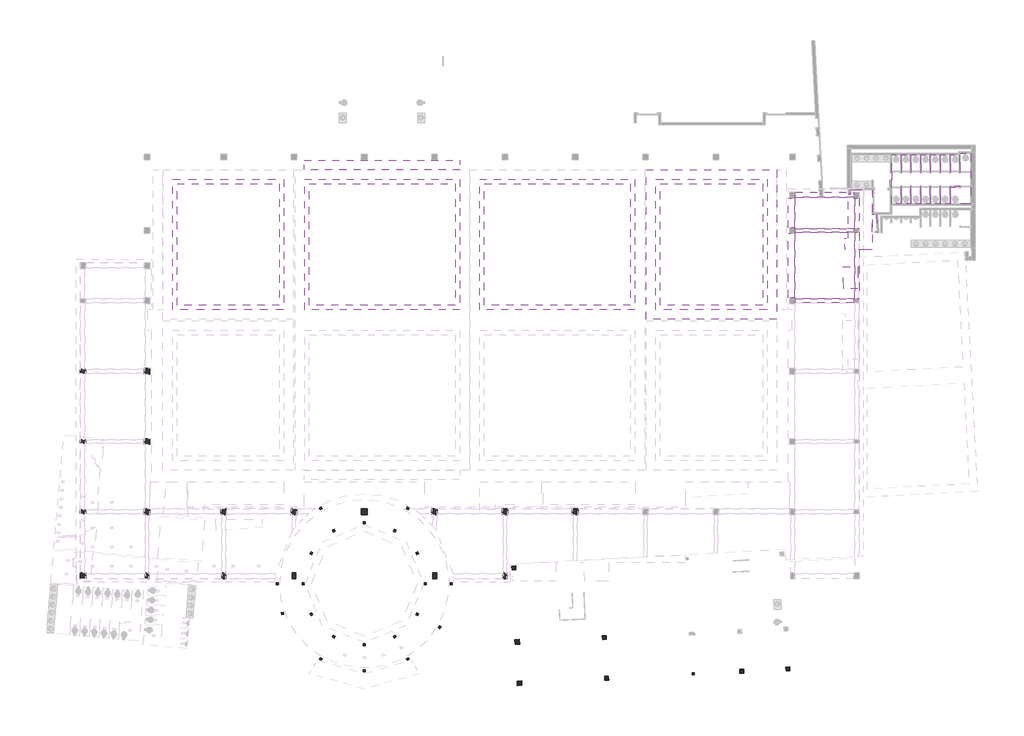
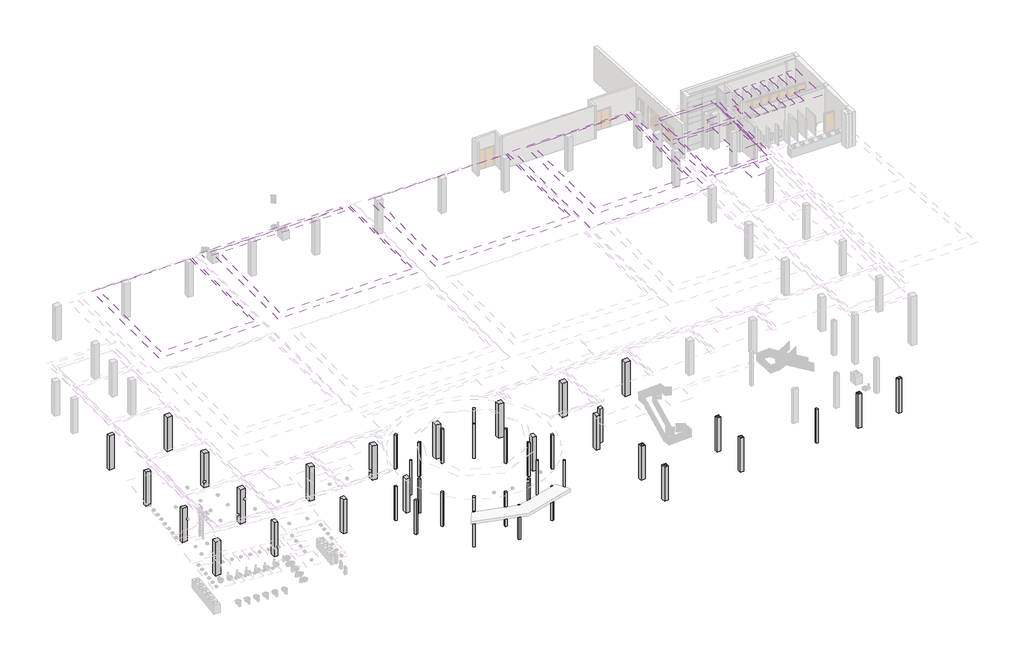
# One storey, part 29 of 36: 53 columns, 24 coverings.
"""IFC4 building model written with IfcOpenShell, lengths in millimetres."""

import ifcopenshell
import ifcopenshell.guid

model = None  # the IFC model being written
_history = None  # IfcOwnerHistory: only IFC2X3 demands one
_inside = {}  # id of a spatial element -> (the spatial element, [elements in it])
_under = {}  # id of a project, library or spatial element -> (it, [spatial elements below it])
_declared = {}  # id of a project -> (the project, [libraries it declares])
_typed = {}  # id of a type object -> (the type object, [elements of that type])
_made_of = {}  # id of a material, layer set ... -> (it, [elements and type objects made of it])


def new_model(schema):
    """Start an empty IFC model of exactly this schema.

    Asked for "IFC4X3", IfcOpenShell would pick the latest addendum, in which some entities
    have other attributes; the version numbers below select the first issue.
    IFC2X3 requires an IfcOwnerHistory on every rooted entity: one is made here for all.
    """
    global model, _history
    if schema == "IFC4X3":
        model = ifcopenshell.file(schema_version=(4, 3, 0, 0))
    else:
        model = ifcopenshell.file(schema=schema)
    _inside.clear()
    _under.clear()
    _declared.clear()
    _typed.clear()
    _made_of.clear()
    _history = None
    if model.schema == "IFC2X3":
        org = make("IfcOrganization", Name="unknown")
        user = make(
            "IfcPersonAndOrganization",
            ThePerson=make("IfcPerson", FamilyName="unknown"),
            TheOrganization=org,
        )
        app = make(
            "IfcApplication",
            ApplicationDeveloper=org,
            Version="unknown",
            ApplicationFullName="unknown",
            ApplicationIdentifier="unknown",
        )
        _history = make(
            "IfcOwnerHistory",
            OwningUser=user,
            OwningApplication=app,
            ChangeAction="ADDED",
            CreationDate=0,
        )
    return model


def make(cls, **values):
    """One entity of the class cls with the attributes given. An attribute that is None is left unset."""
    return model.create_entity(
        cls, **{name: value for name, value in values.items() if value is not None}
    )


def rooted(cls, **values):
    """An entity with a GlobalId (a new one), such as an element, a storey or a relation."""
    return make(cls, GlobalId=ifcopenshell.guid.new(), OwnerHistory=_history, **values)


def si_unit(unit_type, name, prefix=None):
    """IfcSIUnit, for example si_unit("LENGTHUNIT", "METRE", prefix="MILLI")."""
    return make("IfcSIUnit", UnitType=unit_type, Prefix=prefix, Name=name)


def assignment(units):
    """IfcUnitAssignment: the units of a project."""
    return None if units is None else make("IfcUnitAssignment", Units=units)


def point(xyz):
    """IfcCartesianPoint."""
    return None if xyz is None else make("IfcCartesianPoint", Coordinates=xyz)


def direction(xyz):
    """IfcDirection."""
    return None if xyz is None else make("IfcDirection", DirectionRatios=xyz)


def frame(location, z_axis=None, x_axis=None):
    """IfcAxis2Placement3D, a coordinate frame: its origin and axes. An axis left out is left unset."""
    return make(
        "IfcAxis2Placement3D",
        Location=point(location),
        Axis=direction(z_axis),
        RefDirection=direction(x_axis),
    )


def origin():
    """The frame at (0, 0, 0) with its axes left unset."""
    return frame((0.0, 0.0, 0.0))


def origin_with_axes():
    """The frame at (0, 0, 0) with the z axis (0, 0, 1) and the x axis (1, 0, 0) written out."""
    return frame((0.0, 0.0, 0.0), z_axis=(0.0, 0.0, 1.0), x_axis=(1.0, 0.0, 0.0))


def place(relative_to, where):
    """IfcLocalPlacement: puts the frame where relative to a parent placement (None: the world)."""
    return make(
        "IfcLocalPlacement", PlacementRelTo=relative_to, RelativePlacement=where
    )


def context(
    kind, dimensions, precision=None, world=None, true_north=None, identifier=None
):
    """IfcGeometricRepresentationContext, for example the 3D "Model" context."""
    return make(
        "IfcGeometricRepresentationContext",
        ContextIdentifier=identifier,
        ContextType=kind,
        CoordinateSpaceDimension=dimensions,
        Precision=precision,
        WorldCoordinateSystem=world,
        TrueNorth=true_north,
    )


def project(units=None, contexts=None):
    """IfcProject with its units and contexts."""
    return rooted(
        "IfcProject",
        Name="project",
        RepresentationContexts=contexts,
        UnitsInContext=assignment(units),
    )


def spatial(cls, under=None, at=None, **own):
    """A site, building, storey or space (cls), placed at a placement, below another one or the project."""
    s = rooted(cls, ObjectPlacement=at, **own)
    if under is not None:
        _under.setdefault(under.id(), (under, []))[1].append(s)
    return s


def polyline(points):
    """IfcPolyline through the points."""
    return make("IfcPolyline", Points=[point(p) for p in points])


def outline(outer, holes=None, kind="AREA"):
    """IfcArbitraryClosedProfileDef: a profile drawn as a closed curve; with holes, ...WithVoids."""
    if holes is None:
        return make("IfcArbitraryClosedProfileDef", ProfileType=kind, OuterCurve=outer)
    return make(
        "IfcArbitraryProfileDefWithVoids",
        ProfileType=kind,
        OuterCurve=outer,
        InnerCurves=holes,
    )


def extrude(swept, where, along, depth):
    """IfcExtrudedAreaSolid: the profile swept, set in the frame where, extruded along a direction by depth."""
    return make(
        "IfcExtrudedAreaSolid",
        SweptArea=swept,
        Position=where,
        ExtrudedDirection=direction(along),
        Depth=depth,
    )


def faces_of(points, faces, orient=None, outer=None):
    """IfcFace entities. A face is a list of loops; a loop is a list of indices into points, from 0.

    orient and outer hold one flag for each loop. By default every Orientation is true, the
    first loop of a face is its IfcFaceOuterBound and the others are IfcFaceBound.
    """
    made = []
    for i, loops in enumerate(faces):
        bounds = []
        for j, loop in enumerate(loops):
            is_outer = j == 0 if outer is None else outer[i][j]
            bounds.append(
                make(
                    "IfcFaceOuterBound" if is_outer else "IfcFaceBound",
                    Bound=make("IfcPolyLoop", Polygon=[points[k] for k in loop]),
                    Orientation=True if orient is None else orient[i][j],
                )
            )
        made.append(make("IfcFace", Bounds=bounds))
    return made


def faceted_brep(points, faces, orient=None, outer=None, voids=None):
    """IfcFacetedBrep: a solid bounded by flat faces; with voids (closed shells), ...WithVoids."""
    shared = [point(p) for p in points]
    hull = make("IfcClosedShell", CfsFaces=faces_of(shared, faces, orient, outer))
    if voids is None:
        return make("IfcFacetedBrep", Outer=hull)
    return make(
        "IfcFacetedBrepWithVoids",
        Outer=hull,
        Voids=[
            make(cls, CfsFaces=faces_of(shared, fs, o, b)) for cls, fs, o, b in voids
        ],
    )


def shape(context_of_items, identifier, shape_type, items):
    """IfcShapeRepresentation: the items that make up one representation, for example the "Body"."""
    return make(
        "IfcShapeRepresentation",
        ContextOfItems=context_of_items,
        RepresentationIdentifier=identifier,
        RepresentationType=shape_type,
        Items=items,
    )


def source(mapping_origin, context_of_items, identifier, shape_type, items):
    """IfcRepresentationMap: a shape defined once, which mapped items show again and again."""
    return make(
        "IfcRepresentationMap",
        MappingOrigin=mapping_origin,
        MappedRepresentation=shape(context_of_items, identifier, shape_type, items),
    )


def transform(
    local_origin,
    x_axis=None,
    y_axis=None,
    z_axis=None,
    scale=None,
    scale2=None,
    scale3=None,
    uniform=True,
):
    """IfcCartesianTransformationOperator3D, or its non-uniform kind. x_axis, y_axis, z_axis: its Axis1, 2, 3."""
    if uniform:
        return make(
            "IfcCartesianTransformationOperator3D",
            Axis1=direction(x_axis),
            Axis2=direction(y_axis),
            LocalOrigin=point(local_origin),
            Scale=scale,
            Axis3=direction(z_axis),
        )
    return make(
        "IfcCartesianTransformationOperator3DnonUniform",
        Axis1=direction(x_axis),
        Axis2=direction(y_axis),
        LocalOrigin=point(local_origin),
        Scale=scale,
        Axis3=direction(z_axis),
        Scale2=scale2,
        Scale3=scale3,
    )


def mapped(mapping_source, mapping_target):
    """IfcMappedItem: shows the shape of a source again, moved by a transform."""
    return make(
        "IfcMappedItem", MappingSource=mapping_source, MappingTarget=mapping_target
    )


def made_of(thing, what):
    """Note that an element or type object is made of a material, layer set ...; save() writes the relation."""
    if what is not None:
        _made_of.setdefault(what.id(), (what, []))[1].append(thing)
    return thing


def element(
    cls,
    number,
    at=None,
    inside=None,
    cuts=None,
    type_object=None,
    material=None,
    context=None,
    identifier="Body",
    shape_type=None,
    held_by="IfcProductDefinitionShape",
    body=None,
    shapes=None,
    **own,
):
    """One element of the class cls, such as IfcWall. Its Tag is "e" and its number.

    at: its placement. inside: the storey or other place that contains it. cuts: it is an
    opening in that element (IfcRelVoidsElement). A single representation is given by context,
    identifier, shape_type and body (its items); several are given by shapes. held_by: the class
    of the entity that holds the representations. save() writes the other relations.
    """
    e = rooted(cls, Tag="e%d" % number, ObjectPlacement=at, **own)
    if body is not None:
        shapes = [shape(context, identifier, shape_type, body)]
    if shapes is not None:
        e.Representation = make(held_by, Representations=shapes)
    if inside is not None:
        _inside.setdefault(inside.id(), (inside, []))[1].append(e)
    if cuts is not None:
        rooted(
            "IfcRelVoidsElement", RelatingBuildingElement=cuts, RelatedOpeningElement=e
        )
    if type_object is not None:
        _typed.setdefault(type_object.id(), (type_object, []))[1].append(e)
    return made_of(e, material)


def aggregate(whole, parts):
    """IfcRelAggregates: a whole, such as a stair, and the parts it consists of."""
    return rooted("IfcRelAggregates", RelatingObject=whole, RelatedObjects=parts)


def save(model, path):
    """Write the relations noted so far, then the file.

    IfcRelAggregates (storeys below a building ...), IfcRelContainedInSpatialStructure (elements
    in a storey), IfcRelDefinesByType, IfcRelAssociatesMaterial and IfcRelDeclares: one each for
    every whole, place, type object, material and project.
    """
    for whole, parts in _under.values():
        aggregate(whole, parts)
    for where, things in _inside.values():
        rooted(
            "IfcRelContainedInSpatialStructure",
            RelatedElements=things,
            RelatingStructure=where,
        )
    for kind, things in _typed.values():
        rooted("IfcRelDefinesByType", RelatedObjects=things, RelatingType=kind)
    for what, things in _made_of.values():
        rooted("IfcRelAssociatesMaterial", RelatedObjects=things, RelatingMaterial=what)
    for by, libraries in _declared.values():
        rooted("IfcRelDeclares", RelatingContext=by, RelatedDefinitions=libraries)
    model.write(path)


def concrete_rectangular_column_14_1_4_x_14_1_4_7611fc2a(model_context):
    return source(origin(), model_context, "Body", "SweptSolid", [
        extrude(outline(polyline([(180.975, 180.975), (180.975, -180.975), (-180.975, -180.975), (-180.975, 180.975), (180.975, 180.975)])), origin_with_axes(), (0.0, 0.0, 1.0), 3810.0),
    ])


def concrete_rectangular_column_14_1_4_x_21_1_2_2_a856bb24(model_context):
    return source(origin(), model_context, "Body", "SweptSolid", [
        extrude(outline(polyline([(180.975, 273.05), (180.975, -273.05), (-180.975, -273.05), (-180.975, 273.05), (180.975, 273.05)])), origin_with_axes(), (0.0, 0.0, 1.0), 3810.0),
    ])


def concrete_rectangular_column_21_1_2_x_21_1_2_4b38b6f1(model_context):
    return source(origin(), model_context, "Body", "SweptSolid", [
        extrude(outline(polyline([(273.05, 273.05), (273.05, -273.05), (-273.05, -273.05), (-273.05, 273.05), (273.05, 273.05)])), origin_with_axes(), (0.0, 0.0, 1.0), 3810.0),
    ])


def concrete_rectangular_column_21_1_2_x_21_1_2_5e8797fa(model_context):
    return source(origin(), model_context, "Body", "SweptSolid", [
        extrude(outline(polyline([(273.05, -273.05), (-273.05, -273.05), (-273.05, 273.05), (273.05, 273.05), (273.05, -273.05)])), origin_with_axes(), (0.0, 0.0, 1.0), 3810.0),
    ])


def concrete_rectangular_column_8_x_8_f215429a(model_context):
    return source(origin(), model_context, "Body", "SweptSolid", [
        extrude(outline(polyline([(101.6, 101.6), (101.6, -101.6), (-101.6, -101.6), (-101.6, 101.6), (101.6, 101.6)])), origin_with_axes(), (0.0, 0.0, 1.0), 3810.0),
    ])


def concrete_rectangular_column_8_x_8_cc1d8254(model_context):
    return source(origin(), model_context, "Body", "SweptSolid", [
        extrude(outline(polyline([(101.6, -101.6), (-101.6, -101.6), (-101.6, 101.6), (101.6, 101.6), (101.6, -101.6)])), origin_with_axes(), (0.0, 0.0, 1.0), 3810.0),
    ])


model = new_model("IFC4")

# Units and contexts
model_context = context("Model", 3, world=origin())
ifc_project = project(units=[si_unit("LENGTHUNIT", "METRE", prefix="MILLI")], contexts=[model_context])

# Site, building, storey
site = spatial("IfcSite", under=ifc_project)
building = spatial("IfcBuilding", under=site)
storey = spatial("IfcBuildingStorey", under=building, Elevation=0.0)

# Columns
placement = place(None, origin())
element("IfcColumn", 1, ObjectType="Concrete-Rectangular-Column : 14 1/4 x 14 1/4", at=placement, inside=storey, context=model_context, shape_type="Brep", body=[
    faceted_brep([(15927.4141859, -34092.8668313, 0.0), (15943.2000187, -34394.0784647, 0.0), (15946.3571852, -34454.3207914, 0.0), (15584.9032251, -34473.2637907, 0.0), (15581.7460586, -34413.0214641, 0.0), (15565.9602258, -34111.8098306, 0.0), (15867.1718592, -34096.0239978, 0.0), (15927.4141859, -34092.8668313, 3810.0), (15943.2000187, -34394.0784647, 3810.0), (15946.3571852, -34454.3207914, 3810.0), (15584.9032251, -34473.2637907, 3810.0), (15581.7460586, -34413.0214641, 3810.0), (15565.9602258, -34111.8098306, 3810.0), (15867.1718592, -34096.0239978, 3810.0)], [[[0, 1, 2, 3, 4, 5, 6]], [[7, 8, 9, 2, 1, 0]], [[9, 10, 3, 2]], [[10, 11, 12, 5, 4, 3]], [[12, 13, 7, 0, 6, 5]], [[7, 13, 12, 11, 10, 9, 8]]]),
])
element("IfcColumn", 2, ObjectType="Concrete-Rectangular-Column : 14 1/4 x 14 1/4", at=placement, inside=storey, context=model_context, shape_type="Brep", body=[
    faceted_brep([(-1568.3598811, -31124.6070003, 0.0), (-1562.5440479, -31235.5797074, 0.0), (-1549.4168817, -31486.0609604, 0.0), (-1910.8708418, -31505.0039598, 0.0), (-1923.998008, -31254.5227068, 0.0), (-1929.8138412, -31143.5499997, 0.0), (-1568.3598811, -31124.6070003, 3810.0), (-1562.5440479, -31235.5797074, 3810.0), (-1549.4168817, -31486.0609604, 3810.0), (-1910.8708418, -31505.0039598, 3810.0), (-1923.998008, -31254.5227068, 3810.0), (-1929.8138412, -31143.5499997, 3810.0)], [[[0, 1, 2, 3, 4, 5]], [[6, 7, 8, 2, 1, 0]], [[8, 9, 3, 2]], [[9, 10, 11, 5, 4, 3]], [[11, 6, 0, 5]], [[6, 11, 10, 9, 8, 7]]]),
])
element("IfcColumn", 3, ObjectType="Concrete-Rectangular-Column : 14 1/4 x 14 1/4", at=placement, inside=storey, context=model_context, shape_type="Brep", body=[
    faceted_brep([(11526.5536892, -34323.5061568, 0.0), (11542.339522, -34624.7177903, 0.0), (11545.4966885, -34684.9601169, 0.0), (11184.0427284, -34703.9031163, 0.0), (11180.8855619, -34643.6607896, 0.0), (11165.0997291, -34342.4491562, 0.0), (11231.6833533, -34338.9596563, 0.0), (11526.5536892, -34323.5061568, 3810.0), (11542.339522, -34624.7177903, 3810.0), (11545.4966885, -34684.9601169, 3810.0), (11184.0427284, -34703.9031163, 3810.0), (11180.8855619, -34643.6607896, 3810.0), (11165.0997291, -34342.4491562, 3810.0), (11231.6833533, -34338.9596563, 3810.0)], [[[0, 1, 2, 3, 4, 5, 6]], [[7, 8, 9, 2, 1, 0]], [[9, 10, 3, 2]], [[10, 11, 12, 5, 4, 3]], [[12, 13, 7, 0, 6, 5]], [[7, 13, 12, 11, 10, 9, 8]]]),
])
concrete_rectangular_column_14_1_4_x_14_1_4_shape = concrete_rectangular_column_14_1_4_x_14_1_4_7611fc2a(model_context)
element("IfcColumn", 4, ObjectType="Concrete-Rectangular-Column : 14 1/4 x 14 1/4", at=placement, inside=storey, context=model_context, shape_type="MappedRepresentation", body=[
    mapped(concrete_rectangular_column_14_1_4_x_14_1_4_shape, transform((-1536.8920349, -35182.9969829, 0.0), x_axis=(0.9986295347545737, 0.052335956242946645, 0.0), y_axis=(-0.052335956242946645, 0.9986295347545737, 0.0), z_axis=(0.0, 0.0, 1.0))),
])
element("IfcColumn", 5, ObjectType="Concrete-Rectangular-Column : 14 1/4 x 14 1/4", at=placement, inside=storey, context=model_context, shape_type="MappedRepresentation", body=[
    mapped(concrete_rectangular_column_14_1_4_x_14_1_4_shape, transform((-10380.2160152, -24658.5974761, 0.0), x_axis=(0.9986295347545737, 0.052335956242946645, 0.0), y_axis=(-0.052335956242946645, 0.9986295347545737, 0.0), z_axis=(0.0, 0.0, 1.0))),
])
concrete_rectangular_column_14_1_4_x_21_1_2_2_shape = concrete_rectangular_column_14_1_4_x_21_1_2_2_a856bb24(model_context)
element("IfcColumn", 6, ObjectType="Concrete-Rectangular-Column : 14 1/4 x 21 1/2 2", at=placement, inside=storey, context=model_context, shape_type="MappedRepresentation", body=[
    mapped(concrete_rectangular_column_14_1_4_x_21_1_2_2_shape, transform((-51461.9440345, -19309.559635, 0.0), x_axis=(0.0, -1.0, 0.0), y_axis=(1.0, 0.0, 0.0), z_axis=(0.0, 0.0, 1.0))),
])
element("IfcColumn", 7, ObjectType="Concrete-Rectangular-Column : 14 1/4 x 21 1/2 2", at=placement, inside=storey, context=model_context, shape_type="MappedRepresentation", body=[
    mapped(concrete_rectangular_column_14_1_4_x_21_1_2_2_shape, transform((-45365.9440345, -25405.559635, 0.0), x_axis=(1.0, 0.0, 0.0), y_axis=(0.0, 1.0, 0.0), z_axis=(0.0, 0.0, 1.0))),
])
element("IfcColumn", 8, ObjectType="Concrete-Rectangular-Column : 14 1/4 x 21 1/2 2", at=placement, inside=storey, context=model_context, shape_type="MappedRepresentation", body=[
    mapped(concrete_rectangular_column_14_1_4_x_21_1_2_2_shape, transform((-51461.9440345, -12603.959635, 0.0), x_axis=(0.0, -1.0, 0.0), y_axis=(1.0, 0.0, 0.0), z_axis=(0.0, 0.0, 1.0))),
])
element("IfcColumn", 9, ObjectType="Concrete-Rectangular-Column : 14 1/4 x 21 1/2 2", at=placement, inside=storey, context=model_context, shape_type="MappedRepresentation", body=[
    mapped(concrete_rectangular_column_14_1_4_x_21_1_2_2_shape, transform((-11228.3440345, -25405.559635, 0.0), x_axis=(1.0, 0.0, 0.0), y_axis=(0.0, 1.0, 0.0), z_axis=(0.0, 0.0, 1.0))),
])
element("IfcColumn", 10, ObjectType="Concrete-Rectangular-Column : 14 1/4 x 21 1/2 2", at=placement, inside=storey, context=model_context, shape_type="MappedRepresentation", body=[
    mapped(concrete_rectangular_column_14_1_4_x_21_1_2_2_shape, transform((-17933.9440345, -25405.559635, 0.0), x_axis=(1.0, 0.0, 0.0), y_axis=(0.0, 1.0, 0.0), z_axis=(0.0, 0.0, 1.0))),
])
element("IfcColumn", 11, ObjectType="Concrete-Rectangular-Column : 14 1/4 x 21 1/2 2", at=placement, inside=storey, context=model_context, shape_type="MappedRepresentation", body=[
    mapped(concrete_rectangular_column_14_1_4_x_21_1_2_2_shape, transform((-31345.1440345, -25405.559635, 0.0), x_axis=(1.0, 0.0, 0.0), y_axis=(0.0, 1.0, 0.0), z_axis=(0.0, 0.0, 1.0))),
])
element("IfcColumn", 12, ObjectType="Concrete-Rectangular-Column : 14 1/4 x 21 1/2 2", at=placement, inside=storey, context=model_context, shape_type="MappedRepresentation", body=[
    mapped(concrete_rectangular_column_14_1_4_x_21_1_2_2_shape, transform((-38050.7440345, -25405.559635, 0.0), x_axis=(1.0, 0.0, 0.0), y_axis=(0.0, 1.0, 0.0), z_axis=(0.0, 0.0, 1.0))),
])
element("IfcColumn", 13, ObjectType="Concrete-Rectangular-Column : 14 1/4 x 21 1/2 2", at=placement, inside=storey, context=model_context, shape_type="MappedRepresentation", body=[
    mapped(concrete_rectangular_column_14_1_4_x_21_1_2_2_shape, transform((-51461.9440345, -5898.359635, 0.0), x_axis=(0.0, -1.0, 0.0), y_axis=(1.0, 0.0, 0.0), z_axis=(0.0, 0.0, 1.0))),
])
element("IfcColumn", 14, ObjectType="Concrete-Rectangular-Column : 17 1/8 x 17 1/8", at=placement, inside=storey, context=model_context, shape_type="Brep", body=[
    faceted_brep([(-9634.6885541, -35426.1611553, 0.0), (-9611.9237216, -35860.5400372, 0.0), (-10033.6200084, -35882.6402031, 0.0), (-10046.3026034, -35883.3048697, 0.0), (-10069.067436, -35448.9259879, 0.0), (-10056.3848409, -35448.2613212, 0.0), (-9634.6885541, -35426.1611553, 3810.0), (-9611.9237216, -35860.5400372, 3810.0), (-10033.6200084, -35882.6402031, 3810.0), (-10046.3026034, -35883.3048697, 3810.0), (-10069.067436, -35448.9259879, 3810.0), (-10056.3848409, -35448.2613212, 3810.0)], [[[0, 1, 2, 3, 4, 5]], [[6, 7, 1, 0]], [[7, 8, 9, 3, 2, 1]], [[9, 10, 4, 3]], [[10, 11, 6, 0, 5, 4]], [[6, 11, 10, 9, 8, 7]]]),
])
element("IfcColumn", 15, ObjectType="Concrete-Rectangular-Column : 17 1/8 x 17 1/8", at=placement, inside=storey, context=model_context, shape_type="Brep", body=[
    faceted_brep([(-9841.2337138, -31485.0447306, 0.0), (-9831.5960475, -31668.9423595, 0.0), (-9818.4688813, -31919.4236125, 0.0), (-10240.1651681, -31941.5237784, 0.0), (-10252.8477632, -31942.1884451, 0.0), (-10265.9749294, -31691.707192, 0.0), (-10275.6125957, -31507.8095632, 0.0), (-9841.2337138, -31485.0447306, 3810.0), (-9831.5960475, -31668.9423595, 3810.0), (-9818.4688813, -31919.4236125, 3810.0), (-10240.1651681, -31941.5237784, 3810.0), (-10252.8477632, -31942.1884451, 3810.0), (-10265.9749294, -31691.707192, 3810.0), (-10275.6125957, -31507.8095632, 3810.0)], [[[0, 1, 2, 3, 4, 5, 6]], [[7, 8, 9, 2, 1, 0]], [[9, 10, 11, 4, 3, 2]], [[11, 12, 13, 6, 5, 4]], [[13, 7, 0, 6]], [[7, 13, 12, 11, 10, 9, 8]]]),
])
concrete_rectangular_column_21_1_2_x_21_1_2_shape = concrete_rectangular_column_21_1_2_x_21_1_2_4b38b6f1(model_context)
element("IfcColumn", 16, ObjectType="Concrete-Rectangular-Column : 21 1/2 x 21 1/2", at=placement, inside=storey, context=model_context, shape_type="MappedRepresentation", body=[
    mapped(concrete_rectangular_column_21_1_2_x_21_1_2_shape, transform((-51461.9440345, -25405.559635, 0.0), x_axis=(1.0, 0.0, 0.0), y_axis=(0.0, 1.0, 0.0), z_axis=(0.0, 0.0, 1.0))),
])
element("IfcColumn", 17, ObjectType="Concrete-Rectangular-Column : 21 1/2 x 21 1/2", at=placement, inside=storey, context=model_context, shape_type="MappedRepresentation", body=[
    mapped(concrete_rectangular_column_21_1_2_x_21_1_2_shape, transform((-45365.9440345, -19309.559635, 0.0), x_axis=(1.0, 0.0, 0.0), y_axis=(0.0, 1.0, 0.0), z_axis=(0.0, 0.0, 1.0))),
])
element("IfcColumn", 18, ObjectType="Concrete-Rectangular-Column : 21 1/2 x 21 1/2", at=placement, inside=storey, context=model_context, shape_type="MappedRepresentation", body=[
    mapped(concrete_rectangular_column_21_1_2_x_21_1_2_shape, transform((-45365.9440345, -12603.959635, 0.0), x_axis=(1.0, 0.0, 0.0), y_axis=(0.0, 1.0, 0.0), z_axis=(0.0, 0.0, 1.0))),
])
element("IfcColumn", 19, ObjectType="Concrete-Rectangular-Column : 21 1/2 x 21 1/2", at=placement, inside=storey, context=model_context, shape_type="MappedRepresentation", body=[
    mapped(concrete_rectangular_column_21_1_2_x_21_1_2_shape, transform((-4522.7440345, -19309.559635, 0.0), x_axis=(1.0, 0.0, 0.0), y_axis=(0.0, 1.0, 0.0), z_axis=(0.0, 0.0, 1.0))),
])
element("IfcColumn", 20, ObjectType="Concrete-Rectangular-Column : 21 1/2 x 21 1/2", at=placement, inside=storey, context=model_context, shape_type="MappedRepresentation", body=[
    mapped(concrete_rectangular_column_21_1_2_x_21_1_2_shape, transform((-11228.3440345, -19309.559635, 0.0), x_axis=(1.0, 0.0, 0.0), y_axis=(0.0, 1.0, 0.0), z_axis=(0.0, 0.0, 1.0))),
])
element("IfcColumn", 21, ObjectType="Concrete-Rectangular-Column : 21 1/2 x 21 1/2", at=placement, inside=storey, context=model_context, shape_type="MappedRepresentation", body=[
    mapped(concrete_rectangular_column_21_1_2_x_21_1_2_shape, transform((-17933.9440345, -19309.559635, 0.0), x_axis=(1.0, 0.0, 0.0), y_axis=(0.0, 1.0, 0.0), z_axis=(0.0, 0.0, 1.0))),
])
element("IfcColumn", 22, ObjectType="Concrete-Rectangular-Column : 21 1/2 x 21 1/2", at=placement, inside=storey, context=model_context, shape_type="MappedRepresentation", body=[
    mapped(concrete_rectangular_column_21_1_2_x_21_1_2_shape, transform((-24639.5440345, -19309.559635, 0.0), x_axis=(1.0, 0.0, 0.0), y_axis=(0.0, 1.0, 0.0), z_axis=(0.0, 0.0, 1.0))),
])
element("IfcColumn", 23, ObjectType="Concrete-Rectangular-Column : 21 1/2 x 21 1/2", at=placement, inside=storey, context=model_context, shape_type="MappedRepresentation", body=[
    mapped(concrete_rectangular_column_21_1_2_x_21_1_2_shape, transform((-31345.1440345, -19309.559635, 0.0), x_axis=(1.0, 0.0, 0.0), y_axis=(0.0, 1.0, 0.0), z_axis=(0.0, 0.0, 1.0))),
])
element("IfcColumn", 24, ObjectType="Concrete-Rectangular-Column : 21 1/2 x 21 1/2", at=placement, inside=storey, context=model_context, shape_type="MappedRepresentation", body=[
    mapped(concrete_rectangular_column_21_1_2_x_21_1_2_shape, transform((-38050.7440345, -19309.559635, 0.0), x_axis=(1.0, 0.0, 0.0), y_axis=(0.0, 1.0, 0.0), z_axis=(0.0, 0.0, 1.0))),
])
concrete_rectangular_column_21_1_2_x_21_1_2_2_shape = concrete_rectangular_column_21_1_2_x_21_1_2_5e8797fa(model_context)
element("IfcColumn", 25, ObjectType="Concrete-Rectangular-Column : 21 1/2 x 21 1/2", at=placement, inside=storey, context=model_context, shape_type="MappedRepresentation", body=[
    mapped(concrete_rectangular_column_21_1_2_x_21_1_2_2_shape, transform((-45365.9440345, -5898.359635, 0.0), x_axis=(-1.0, 0.0, 0.0), y_axis=(0.0, -1.0, 0.0), z_axis=(0.0, 0.0, 1.0))),
])
concrete_rectangular_column_8_x_8_shape = concrete_rectangular_column_8_x_8_f215429a(model_context)
element("IfcColumn", 26, ObjectType="Concrete-Rectangular-Column : 8 x 8", at=placement, inside=storey, context=model_context, shape_type="MappedRepresentation", body=[
    mapped(concrete_rectangular_column_8_x_8_shape, transform((6732.1599647, -34749.6343309, 0.0), x_axis=(0.9986295347545737, 0.052335956242946645, 0.0), y_axis=(-0.052335956242946645, 0.9986295347545737, 0.0), z_axis=(0.0, 0.0, 1.0))),
])
element("IfcColumn", 27, ObjectType="Concrete-Rectangular-Column : 8 x 8", at=placement, inside=storey, context=model_context, shape_type="MappedRepresentation", body=[
    mapped(concrete_rectangular_column_8_x_8_shape, transform((15762.1676697, -34276.3916801, 0.0), x_axis=(0.9986295347545737, 0.052335956242946645, 0.0), y_axis=(-0.052335956242946645, 0.9986295347545737, 0.0), z_axis=(0.0, 0.0, 1.0))),
])
element("IfcColumn", 28, ObjectType="Concrete-Rectangular-Column : 8 x 8", at=placement, inside=storey, context=model_context, shape_type="MappedRepresentation", body=[
    mapped(concrete_rectangular_column_8_x_8_shape, transform((-1536.8920349, -35182.9969829, 0.0), x_axis=(0.9986295347545737, 0.052335956242946645, 0.0), y_axis=(-0.052335956242946645, 0.9986295347545737, 0.0), z_axis=(0.0, 0.0, 1.0))),
])
element("IfcColumn", 29, ObjectType="Concrete-Rectangular-Column : 8 x 8", at=placement, inside=storey, context=model_context, shape_type="MappedRepresentation", body=[
    mapped(concrete_rectangular_column_8_x_8_shape, transform((-9805.9440345, -35616.359635, 0.0), x_axis=(0.9986295347545737, 0.052335956242946645, 0.0), y_axis=(-0.052335956242946645, 0.9986295347545737, 0.0), z_axis=(0.0, 0.0, 1.0))),
])
element("IfcColumn", 30, ObjectType="Concrete-Rectangular-Column : 8 x 8", at=placement, inside=storey, context=model_context, shape_type="MappedRepresentation", body=[
    mapped(concrete_rectangular_column_8_x_8_shape, transform((-1739.6153614, -31314.8054801, 0.0), x_axis=(0.9986295347545737, 0.052335956242946645, 0.0), y_axis=(-0.052335956242946645, 0.9986295347545737, 0.0), z_axis=(0.0, 0.0, 1.0))),
])
element("IfcColumn", 31, ObjectType="Concrete-Rectangular-Column : 8 x 8", at=placement, inside=storey, context=model_context, shape_type="MappedRepresentation", body=[
    mapped(concrete_rectangular_column_8_x_8_shape, transform((-10008.667361, -31748.1681321, 0.0), x_axis=(0.9986295347545737, 0.052335956242946645, 0.0), y_axis=(-0.052335956242946645, 0.9986295347545737, 0.0), z_axis=(0.0, 0.0, 1.0))),
])
element("IfcColumn", 32, ObjectType="Concrete-Rectangular-Column : 8 x 8", at=placement, inside=storey, context=model_context, shape_type="MappedRepresentation", body=[
    mapped(concrete_rectangular_column_8_x_8_shape, transform((11337.2713161, -34533.7255292, 0.0), x_axis=(0.9986295347545737, 0.052335956242946645, 0.0), y_axis=(-0.052335956242946645, 0.9986295347545737, 0.0), z_axis=(0.0, 0.0, 1.0))),
])
element("IfcColumn", 33, ObjectType="Concrete-Rectangular-Column : 8 x 8", at=placement, inside=storey, context=model_context, shape_type="MappedRepresentation", body=[
    mapped(concrete_rectangular_column_8_x_8_shape, transform((-32929.4690345, -26167.559635, 0.0), x_axis=(1.0, 0.0, 0.0), y_axis=(0.0, 1.0, 0.0), z_axis=(0.0, 0.0, 1.0))),
])
element("IfcColumn", 34, ObjectType="Concrete-Rectangular-Column : 8 x 8", at=placement, inside=storey, context=model_context, shape_type="MappedRepresentation", body=[
    mapped(concrete_rectangular_column_8_x_8_shape, transform((-30459.3190345, -26167.559635, 0.0), x_axis=(1.0, 0.0, 0.0), y_axis=(0.0, 1.0, 0.0), z_axis=(0.0, 0.0, 1.0))),
])
element("IfcColumn", 35, ObjectType="Concrete-Rectangular-Column : 8 x 8", at=placement, inside=storey, context=model_context, shape_type="MappedRepresentation", body=[
    mapped(concrete_rectangular_column_8_x_8_shape, transform((-29679.6170288, -23257.672135, 0.0), x_axis=(0.8660254037844415, -0.4999999999999952, 0.0), y_axis=(0.4999999999999952, 0.8660254037844415, 0.0), z_axis=(0.0, 0.0, 1.0))),
])
element("IfcColumn", 36, ObjectType="Concrete-Rectangular-Column : 8 x 8", at=placement, inside=storey, context=model_context, shape_type="MappedRepresentation", body=[
    mapped(concrete_rectangular_column_8_x_8_shape, transform((-27549.4315345, -21127.4866407, 0.0), x_axis=(0.5000000000000069, -0.8660254037844348, 0.0), y_axis=(0.8660254037844348, 0.5000000000000069, 0.0), z_axis=(0.0, 0.0, 1.0))),
])
element("IfcColumn", 37, ObjectType="Concrete-Rectangular-Column : 8 x 8", at=placement, inside=storey, context=model_context, shape_type="MappedRepresentation", body=[
    mapped(concrete_rectangular_column_8_x_8_shape, transform((-24639.5440345, -20347.784635, 0.0), x_axis=(0.0, -1.0000000000000002, 0.0), y_axis=(1.0000000000000002, 0.0, 0.0), z_axis=(0.0, 0.0, 1.0))),
])
element("IfcColumn", 38, ObjectType="Concrete-Rectangular-Column : 8 x 8", at=placement, inside=storey, context=model_context, shape_type="MappedRepresentation", body=[
    mapped(concrete_rectangular_column_8_x_8_shape, transform((-29679.6170288, -29077.447135, 0.0), x_axis=(0.8660254037844393, 0.4999999999999991, 0.0), y_axis=(-0.4999999999999991, 0.8660254037844393, 0.0), z_axis=(0.0, 0.0, 1.0))),
])
element("IfcColumn", 39, ObjectType="Concrete-Rectangular-Column : 8 x 8", at=placement, inside=storey, context=model_context, shape_type="MappedRepresentation", body=[
    mapped(concrete_rectangular_column_8_x_8_shape, transform((-27549.4315345, -31207.6326293, 0.0), x_axis=(0.5000000000000031, 0.866025403784437, 0.0), y_axis=(-0.866025403784437, 0.5000000000000031, 0.0), z_axis=(0.0, 0.0, 1.0))),
])
element("IfcColumn", 40, ObjectType="Concrete-Rectangular-Column : 8 x 8", at=placement, inside=storey, context=model_context, shape_type="MappedRepresentation", body=[
    mapped(concrete_rectangular_column_8_x_8_shape, transform((-28784.5065345, -18988.2739896, 0.0), x_axis=(0.5000000000000069, -0.8660254037844348, 0.0), y_axis=(0.8660254037844348, 0.5000000000000069, 0.0), z_axis=(0.0, 0.0, 1.0))),
])
element("IfcColumn", 41, ObjectType="Concrete-Rectangular-Column : 8 x 8", at=placement, inside=storey, context=model_context, shape_type="MappedRepresentation", body=[
    mapped(concrete_rectangular_column_8_x_8_shape, transform((-28784.5065345, -33346.8452805, 0.0), x_axis=(0.5000000000000031, 0.866025403784437, 0.0), y_axis=(-0.866025403784437, 0.5000000000000031, 0.0), z_axis=(0.0, 0.0, 1.0))),
])
element("IfcColumn", 42, ObjectType="Concrete-Rectangular-Column : 8 x 8", at=placement, inside=storey, context=model_context, shape_type="MappedRepresentation", body=[
    mapped(concrete_rectangular_column_8_x_8_shape, transform((-32429.5253839, -29002.8809717, 0.0), x_axis=(0.9396926207859078, 0.3420201433256706, 0.0), y_axis=(-0.3420201433256706, 0.9396926207859078, 0.0), z_axis=(0.0, 0.0, 1.0))),
])
concrete_rectangular_column_8_x_8_2_shape = concrete_rectangular_column_8_x_8_cc1d8254(model_context)
element("IfcColumn", 43, ObjectType="Concrete-Rectangular-Column : 8 x 8", at=placement, inside=storey, context=model_context, shape_type="MappedRepresentation", body=[
    mapped(concrete_rectangular_column_8_x_8_2_shape, transform((-18819.7690345, -26167.559635, 0.0), x_axis=(-1.0, 0.0, 0.0), y_axis=(0.0, -1.0, 0.0), z_axis=(0.0, 0.0, 1.0))),
])
element("IfcColumn", 44, ObjectType="Concrete-Rectangular-Column : 8 x 8", at=placement, inside=storey, context=model_context, shape_type="MappedRepresentation", body=[
    mapped(concrete_rectangular_column_8_x_8_2_shape, transform((-19599.4710402, -29077.447135, 0.0), x_axis=(-0.8660254037844393, 0.4999999999999991, 0.0), y_axis=(-0.4999999999999991, -0.8660254037844393, 0.0), z_axis=(0.0, 0.0, 1.0))),
])
element("IfcColumn", 45, ObjectType="Concrete-Rectangular-Column : 8 x 8", at=placement, inside=storey, context=model_context, shape_type="MappedRepresentation", body=[
    mapped(concrete_rectangular_column_8_x_8_2_shape, transform((-21729.6565345, -31207.6326293, 0.0), x_axis=(-0.5000000000000031, 0.866025403784437, 0.0), y_axis=(-0.866025403784437, -0.5000000000000031, 0.0), z_axis=(0.0, 0.0, 1.0))),
])
element("IfcColumn", 46, ObjectType="Concrete-Rectangular-Column : 8 x 8", at=placement, inside=storey, context=model_context, shape_type="MappedRepresentation", body=[
    mapped(concrete_rectangular_column_8_x_8_2_shape, transform((-24639.5440345, -31987.334635, 0.0), x_axis=(0.0, 1.0000000000000002, 0.0), y_axis=(-1.0000000000000002, 0.0, 0.0), z_axis=(0.0, 0.0, 1.0))),
])
element("IfcColumn", 47, ObjectType="Concrete-Rectangular-Column : 8 x 8", at=placement, inside=storey, context=model_context, shape_type="MappedRepresentation", body=[
    mapped(concrete_rectangular_column_8_x_8_2_shape, transform((-19599.4710402, -23257.672135, 0.0), x_axis=(-0.8660254037844415, -0.4999999999999952, 0.0), y_axis=(0.4999999999999952, -0.8660254037844415, 0.0), z_axis=(0.0, 0.0, 1.0))),
])
element("IfcColumn", 48, ObjectType="Concrete-Rectangular-Column : 8 x 8", at=placement, inside=storey, context=model_context, shape_type="MappedRepresentation", body=[
    mapped(concrete_rectangular_column_8_x_8_2_shape, transform((-21729.6565345, -21127.4866407, 0.0), x_axis=(-0.5000000000000069, -0.8660254037844348, 0.0), y_axis=(0.8660254037844348, -0.5000000000000069, 0.0), z_axis=(0.0, 0.0, 1.0))),
])
element("IfcColumn", 49, ObjectType="Concrete-Rectangular-Column : 8 x 8", at=placement, inside=storey, context=model_context, shape_type="MappedRepresentation", body=[
    mapped(concrete_rectangular_column_8_x_8_2_shape, transform((-20494.5815345, -18988.2739896, 0.0), x_axis=(-0.5000000000000069, -0.8660254037844348, 0.0), y_axis=(0.8660254037844348, -0.5000000000000069, 0.0), z_axis=(0.0, 0.0, 1.0))),
])
element("IfcColumn", 50, ObjectType="Concrete-Rectangular-Column : 8 x 8", at=placement, inside=storey, context=model_context, shape_type="MappedRepresentation", body=[
    mapped(concrete_rectangular_column_8_x_8_2_shape, transform((-16349.6190345, -26167.559635, 0.0), x_axis=(-1.0, 0.0, 0.0), y_axis=(0.0, -1.0, 0.0), z_axis=(0.0, 0.0, 1.0))),
])
element("IfcColumn", 51, ObjectType="Concrete-Rectangular-Column : 8 x 8", at=placement, inside=storey, context=model_context, shape_type="MappedRepresentation", body=[
    mapped(concrete_rectangular_column_8_x_8_2_shape, transform((-17460.258389, -30312.522135, 0.0), x_axis=(-0.8660254037844393, 0.4999999999999991, 0.0), y_axis=(-0.4999999999999991, -0.8660254037844393, 0.0), z_axis=(0.0, 0.0, 1.0))),
])
element("IfcColumn", 52, ObjectType="Concrete-Rectangular-Column : 8 x 8", at=placement, inside=storey, context=model_context, shape_type="MappedRepresentation", body=[
    mapped(concrete_rectangular_column_8_x_8_2_shape, transform((-20494.5815345, -33346.8452805, 0.0), x_axis=(-0.5000000000000031, 0.866025403784437, 0.0), y_axis=(-0.866025403784437, -0.5000000000000031, 0.0), z_axis=(0.0, 0.0, 1.0))),
])
element("IfcColumn", 53, ObjectType="Concrete-Rectangular-Column : 8 x 8", at=placement, inside=storey, context=model_context, shape_type="MappedRepresentation", body=[
    mapped(concrete_rectangular_column_8_x_8_2_shape, transform((-24639.5440345, -34457.484635, 0.0), x_axis=(0.0, 1.0000000000000002, 0.0), y_axis=(-1.0000000000000002, 0.0, 0.0), z_axis=(0.0, 0.0, 1.0))),
])

# Coverings
element("IfcCovering", 54, ObjectType="2' x 2' ACT System", at=placement, inside=storey, context=model_context, shape_type="SweptSolid", body=[
    extrude(outline(polyline([(-42495.7440345, 11957.840365), (-32742.1440345, 11957.840365), (-32742.1440345, 375.440365), (-42495.7440345, 375.440365), (-42495.7440345, 11957.840365)])), frame((0.0, 0.0, 6096.0), z_axis=(0.0, 0.0, 1.0), x_axis=(1.0, 0.0, 0.0)), (0.0, 0.0, 1.0), 50.8),
])
element("IfcCovering", 55, ObjectType="2' x 2' ACT System", at=placement, inside=storey, context=model_context, shape_type="SweptSolid", body=[
    extrude(outline(polyline([(-29897.3440345, 11957.840365), (-15978.1440345, 11957.840365), (-15978.1440345, 375.440365), (-29897.3440345, 375.440365), (-29897.3440345, 11957.840365)])), frame((0.0, 0.0, 6096.0), z_axis=(0.0, 0.0, 1.0), x_axis=(1.0, 0.0, 0.0)), (0.0, 0.0, 1.0), 50.8),
])
element("IfcCovering", 56, ObjectType="2' x 2' ACT System", at=placement, inside=storey, context=model_context, shape_type="SweptSolid", body=[
    extrude(outline(polyline([(13333.4559655, 11957.840365), (13333.4559655, 375.440365), (3579.8559655, 375.440365), (3579.8559655, 11957.840365), (13333.4559655, 11957.840365)])), frame((0.0, 0.0, 6096.0), z_axis=(0.0, 0.0, 1.0), x_axis=(1.0, 0.0, 0.0)), (0.0, 0.0, 1.0), 50.8),
])
element("IfcCovering", 57, ObjectType="2' x 2' ACT System", at=placement, inside=storey, context=model_context, shape_type="SweptSolid", body=[
    extrude(outline(polyline([(735.0559655, 11957.840365), (735.0559655, 375.440365), (-13184.1440345, 375.440365), (-13184.1440345, 11957.840365), (735.0559655, 11957.840365)])), frame((0.0, 0.0, 6096.0), z_axis=(0.0, 0.0, 1.0), x_axis=(1.0, 0.0, 0.0)), (0.0, 0.0, 1.0), 50.8),
])
element("IfcCovering", 58, ObjectType="2' x 2' ACT System", at=placement, inside=storey, context=model_context, shape_type="SweptSolid", body=[
    extrude(outline(polyline([(16476.7059655, 7693.815365), (16476.7059655, 7785.890365), (16384.6309655, 7785.890365), (16384.6309655, 10592.590365), (16476.7059655, 10592.590365), (16476.7059655, 10684.665365), (22026.6059655, 10684.665365), (22026.6059655, 10592.590365), (22118.6809655, 10592.590365), (22118.6809655, 7693.815365), (16476.7059655, 7693.815365)])), frame((0.0, 0.0, 5181.6), z_axis=(0.0, 0.0, 1.0), x_axis=(1.0, 0.0, 0.0)), (0.0, 0.0, 1.0), 50.8),
])
element("IfcCovering", 59, ObjectType="2' x 2' ACT System", at=placement, inside=storey, context=model_context, shape_type="SweptSolid", body=[
    extrude(outline(polyline([(16476.7059655, 7331.865365), (22118.6809655, 7331.865365), (22118.6809655, 988.215365), (16476.7059655, 988.215365), (16476.7059655, 1080.290365), (16384.6309655, 1080.290365), (16384.6309655, 7239.790365), (16476.7059655, 7239.790365), (16476.7059655, 7331.865365)])), frame((0.0, 0.0, 5181.6), z_axis=(0.0, 0.0, 1.0), x_axis=(1.0, 0.0, 0.0)), (0.0, 0.0, 1.0), 50.8),
])
element("IfcCovering", 60, ObjectType="GWB on Mtl. Stud", at=placement, inside=storey, context=model_context, shape_type="SweptSolid", body=[
    extrude(outline(polyline([(3148.0559655, 13304.040365), (3148.0559655, 14218.440365), (14679.6559655, 14218.440365), (14679.6559655, 13304.040365), (3148.0559655, 13304.040365)])), frame((0.0, 0.0, 4572.0), z_axis=(0.0, 0.0, 1.0), x_axis=(1.0, 0.0, 0.0)), (0.0, 0.0, 1.0), 50.8),
    extrude(outline(polyline([(1217.6559655, 13304.040365), (-13615.9440345, 13304.040365), (-13615.9440345, 14218.440365), (1217.6559655, 14218.440365), (1217.6559655, 13304.040365)])), frame((0.0, 0.0, 4572.0), z_axis=(0.0, 0.0, 1.0), x_axis=(1.0, 0.0, 0.0)), (0.0, 0.0, 1.0), 50.8),
    extrude(outline(polyline([(-30379.9440345, 13304.040365), (-30379.9440345, 14218.440365), (-15546.3440345, 14218.440365), (-15546.3440345, 13304.040365), (-30379.9440345, 13304.040365)])), frame((0.0, 0.0, 4572.0), z_axis=(0.0, 0.0, 1.0), x_axis=(1.0, 0.0, 0.0)), (0.0, 0.0, 1.0), 50.8),
    extrude(outline(polyline([(-43841.9440345, 13304.040365), (-43841.9440345, 14218.440365), (-32310.3440345, 14218.440365), (-32310.3440345, 13304.040365), (-43841.9440345, 13304.040365)])), frame((0.0, 0.0, 4572.0), z_axis=(0.0, 0.0, 1.0), x_axis=(1.0, 0.0, 0.0)), (0.0, 0.0, 1.0), 50.8),
])
element("IfcCovering", 61, ObjectType="GWB on Mtl. Stud", at=placement, inside=storey, context=model_context, shape_type="SweptSolid", body=[
    extrude(outline(polyline([(-32310.3440345, -56.359635), (-42927.5440345, -56.359635), (-42927.5440345, 12389.640365), (-32310.3440345, 12389.640365), (-32310.3440345, -56.359635)]), holes=[polyline([(-32742.1440345, 375.440365), (-32742.1440345, 11957.840365), (-42495.7440345, 11957.840365), (-42495.7440345, 375.440365), (-32742.1440345, 375.440365)])]), frame((0.0, 0.0, 5791.2), z_axis=(0.0, 0.0, 1.0), x_axis=(1.0, 0.0, 0.0)), (0.0, 0.0, 1.0), 50.8),
])
element("IfcCovering", 62, ObjectType="GWB on Mtl. Stud", at=placement, inside=storey, context=model_context, shape_type="SweptSolid", body=[
    extrude(outline(polyline([(-15546.3440345, -56.359635), (-30329.1440345, -56.359635), (-30329.1440345, 12389.640365), (-15546.3440345, 12389.640365), (-15546.3440345, -56.359635)]), holes=[polyline([(-15978.1440345, 375.440365), (-15978.1440345, 11957.840365), (-29897.3440345, 11957.840365), (-29897.3440345, 375.440365), (-15978.1440345, 375.440365)])]), frame((0.0, 0.0, 5791.2), z_axis=(0.0, 0.0, 1.0), x_axis=(1.0, 0.0, 0.0)), (0.0, 0.0, 1.0), 50.8),
])
element("IfcCovering", 63, ObjectType="GWB on Mtl. Stud", at=placement, inside=storey, context=model_context, shape_type="SweptSolid", body=[
    extrude(outline(polyline([(14679.6559655, 13304.040365), (14679.6559655, -970.759635), (2233.6559655, -970.759635), (2233.6559655, 13304.040365), (14679.6559655, 13304.040365)]), holes=[polyline([(3148.0559655, -56.359635), (13765.2559655, -56.359635), (13765.2559655, 12389.640365), (3148.0559655, 12389.640365), (3148.0559655, -56.359635)])]), frame((0.0, 0.0, 5181.6), z_axis=(0.0, 0.0, 1.0), x_axis=(1.0, 0.0, 0.0)), (0.0, 0.0, 1.0), 50.8),
])
element("IfcCovering", 64, ObjectType="GWB on Mtl. Stud", at=placement, inside=storey, context=model_context, shape_type="SweptSolid", body=[
    extrude(outline(polyline([(3148.0559655, -56.359635), (3148.0559655, 12389.640365), (13765.2559655, 12389.640365), (13765.2559655, -56.359635), (3148.0559655, -56.359635)]), holes=[polyline([(3579.8559655, 375.440365), (13333.4559655, 375.440365), (13333.4559655, 11957.840365), (3579.8559655, 11957.840365), (3579.8559655, 375.440365)])]), frame((0.0, 0.0, 5791.2), z_axis=(0.0, 0.0, 1.0), x_axis=(1.0, 0.0, 0.0)), (0.0, 0.0, 1.0), 50.8),
])
element("IfcCovering", 65, ObjectType="GWB on Mtl. Stud", at=placement, inside=storey, context=model_context, shape_type="SweptSolid", body=[
    extrude(outline(polyline([(-13615.9440345, -56.359635), (-13615.9440345, 12389.640365), (1166.8559655, 12389.640365), (1166.8559655, -56.359635), (-13615.9440345, -56.359635)]), holes=[polyline([(-13184.1440345, 375.440365), (735.0559655, 375.440365), (735.0559655, 11957.840365), (-13184.1440345, 11957.840365), (-13184.1440345, 375.440365)])]), frame((0.0, 0.0, 5791.2), z_axis=(0.0, 0.0, 1.0), x_axis=(1.0, 0.0, 0.0)), (0.0, 0.0, 1.0), 50.8),
])
element("IfcCovering", 66, ObjectType="GWB on Mtl. Stud", at=placement, inside=storey, context=model_context, shape_type="SweptSolid", body=[
    extrude(outline(polyline([(22026.6059655, 10684.665365), (16476.7059655, 10684.665365), (16476.7059655, 11138.690365), (22026.6059655, 11138.690365), (22026.6059655, 10684.665365)])), frame((0.0, 0.0, 5118.1), z_axis=(0.0, 0.0, 1.0), x_axis=(1.0, 0.0, 0.0)), (0.0, 0.0, 1.0), 50.8),
])
element("IfcCovering", 67, ObjectType="GWB on Mtl. Stud", at=placement, inside=storey, context=model_context, shape_type="SweptSolid", body=[
    extrude(outline(polyline([(22026.6059655, 7331.865365), (16476.7059655, 7331.865365), (16476.7059655, 7693.815365), (22026.6059655, 7693.815365), (22026.6059655, 7331.865365)])), frame((0.0, 0.0, 4895.85), z_axis=(0.0, 0.0, 1.0), x_axis=(1.0, 0.0, 0.0)), (0.0, 0.0, 1.0), 50.8),
])
element("IfcCovering", 68, ObjectType="GWB on Mtl. Stud", at=placement, inside=storey, context=model_context, shape_type="SweptSolid", body=[
    extrude(outline(polyline([(22572.7059655, 7693.815365), (22118.6809655, 7693.815365), (22118.6809655, 10592.590365), (22572.7059655, 10592.590365), (22572.7059655, 7693.815365)])), frame((0.0, 0.0, 5118.1), z_axis=(0.0, 0.0, 1.0), x_axis=(1.0, 0.0, 0.0)), (0.0, 0.0, 1.0), 50.8),
])
element("IfcCovering", 69, ObjectType="GWB on Mtl. Stud", at=placement, inside=storey, context=model_context, shape_type="SweptSolid", body=[
    extrude(outline(polyline([(16384.6309655, 7785.890365), (15771.8559655, 7785.890365), (15771.8559655, 10592.590365), (16384.6309655, 10592.590365), (16384.6309655, 7785.890365)])), frame((0.0, 0.0, 4895.85), z_axis=(0.0, 0.0, 1.0), x_axis=(1.0, 0.0, 0.0)), (0.0, 0.0, 1.0), 50.8),
])
element("IfcCovering", 70, ObjectType="GWB on Mtl. Stud", at=placement, inside=storey, context=model_context, shape_type="SweptSolid", body=[
    extrude(outline(polyline([(22026.6059655, 626.265365), (16476.7059655, 626.265365), (16476.7059655, 988.215365), (22026.6059655, 988.215365), (22026.6059655, 626.265365)])), frame((0.0, 0.0, 4895.85), z_axis=(0.0, 0.0, 1.0), x_axis=(1.0, 0.0, 0.0)), (0.0, 0.0, 1.0), 50.8),
])
element("IfcCovering", 71, ObjectType="GWB on Mtl. Stud", at=placement, inside=storey, context=model_context, shape_type="SweptSolid", body=[
    extrude(outline(polyline([(22572.7059655, 988.215365), (22118.6809655, 988.215365), (22118.6809655, 7331.865365), (22572.7059655, 7331.865365), (22572.7059655, 988.215365)])), frame((0.0, 0.0, 5118.1), z_axis=(0.0, 0.0, 1.0), x_axis=(1.0, 0.0, 0.0)), (0.0, 0.0, 1.0), 50.8),
])
element("IfcCovering", 72, ObjectType="GWB on Mtl. Stud", at=placement, inside=storey, context=model_context, shape_type="SweptSolid", body=[
    extrude(outline(polyline([(16384.6309655, 1080.290365), (15771.8559655, 1080.290365), (15771.8559655, 7239.790365), (16384.6309655, 7239.790365), (16384.6309655, 1080.290365)])), frame((0.0, 0.0, 4895.85), z_axis=(0.0, 0.0, 1.0), x_axis=(1.0, 0.0, 0.0)), (0.0, 0.0, 1.0), 50.8),
])
element("IfcCovering", 73, ObjectType="GWB on Mtl. Stud", at=placement, inside=storey, context=model_context, shape_type="SweptSolid", body=[
    extrude(outline(polyline([(25528.6309655, 14745.490365), (25528.6309655, 11532.390365), (23871.2809655, 11532.390365), (23871.2809655, 12314.9447567), (23737.9309655, 12314.9447567), (23737.9309655, 11532.390365), (21864.6809655, 11532.390365), (21864.6809655, 14745.490365), (25528.6309655, 14745.490365)])), frame((0.0, 0.0, 2540.0), z_axis=(0.0, 0.0, 1.0), x_axis=(1.0, 0.0, 0.0)), (0.0, 0.0, 1.0), 50.8),
    extrude(outline(polyline([(25661.9809655, 14745.490365), (26500.1809655, 14745.490365), (26500.1809655, 13069.090365), (26595.4309655, 13069.090365), (26595.4309655, 14745.490365), (27433.6309655, 14745.490365), (27433.6309655, 13069.090365), (27528.8809655, 13069.090365), (27528.8809655, 14745.490365), (28367.0809655, 14745.490365), (28367.0809655, 13069.090365), (28462.3309655, 13069.090365), (28462.3309655, 14745.490365), (29300.5309655, 14745.490365), (29300.5309655, 13069.090365), (29395.7809655, 13069.090365), (29395.7809655, 14745.490365), (30233.9809655, 14745.490365), (30233.9809655, 13069.090365), (30329.2309655, 13069.090365), (30329.2309655, 14745.490365), (31167.4309655, 14745.490365), (31167.4309655, 13069.090365), (31262.6809655, 13069.090365), (31262.6809655, 14745.490365), (32100.8809655, 14745.490365), (32100.8809655, 13069.090365), (32196.1309655, 13069.090365), (32196.1309655, 14897.890365), (33186.7309655, 14897.890365), (33186.7309655, 10046.490365), (31262.6809655, 10046.490365), (31262.6809655, 11627.640365), (32196.1309655, 11627.640365), (32196.1309655, 11722.890365), (31167.4309655, 11722.890365), (31167.4309655, 10046.490365), (30329.2309655, 10046.490365), (30329.2309655, 11722.890365), (30233.9809655, 11722.890365), (30233.9809655, 10046.490365), (29395.7809655, 10046.490365), (29395.7809655, 11722.890365), (29300.5309655, 11722.890365), (29300.5309655, 10046.490365), (28462.3309655, 10046.490365), (28462.3309655, 11722.890365), (28367.0809655, 11722.890365), (28367.0809655, 10046.490365), (27528.8809655, 10046.490365), (27528.8809655, 11722.890365), (27433.6309655, 11722.890365), (27433.6309655, 10046.490365), (26595.4309655, 10046.490365), (26595.4309655, 11722.890365), (26500.1809655, 11722.890365), (26500.1809655, 10046.490365), (25661.9809655, 10046.490365), (25661.9809655, 14745.490365)])), frame((0.0, 0.0, 2540.0), z_axis=(0.0, 0.0, 1.0), x_axis=(1.0, 0.0, 0.0)), (0.0, 0.0, 1.0), 50.8),
    extrude(outline(polyline([(25528.6309655, 11399.040365), (25528.6309655, 9189.240365), (23947.4809655, 9189.240365), (23947.4809655, 11399.040365), (25528.6309655, 11399.040365)])), frame((0.0, 0.0, 2540.0), z_axis=(0.0, 0.0, 1.0), x_axis=(1.0, 0.0, 0.0)), (0.0, 0.0, 1.0), 50.8),
    extrude(outline(polyline([(25528.6309655, 7188.990365), (25528.6309655, 5293.8501567), (23947.4809655, 5210.9855965), (23947.4809655, 7188.990365), (25528.6309655, 7188.990365)])), frame((0.0, 0.0, 2540.0), z_axis=(0.0, 0.0, 1.0), x_axis=(1.0, 0.0, 0.0)), (0.0, 0.0, 1.0), 50.8),
    extrude(outline(polyline([(25566.7309655, 8744.740365), (25566.7309655, 8236.740365), (25661.9809655, 8236.740365), (25661.9809655, 8744.740365), (26500.1809655, 8744.740365), (26500.1809655, 8236.740365), (26595.4309655, 8236.740365), (26595.4309655, 8744.740365), (27433.6309655, 8744.740365), (27433.6309655, 8250.1096419), (27528.8809655, 8250.1096419), (27528.8809655, 8744.740365), (28367.0809655, 8744.740365), (28367.0809655, 7830.340365), (28462.3309655, 7830.340365), (28462.3309655, 9506.740365), (29300.5309655, 9506.740365), (29300.5309655, 7830.340365), (29395.7809655, 7830.340365), (29395.7809655, 9506.740365), (30233.9809655, 9506.740365), (30233.9809655, 7830.340365), (30329.2309655, 7830.340365), (30329.2309655, 9506.740365), (31167.4309655, 9506.740365), (31167.4309655, 7830.340365), (32196.1309655, 7830.340365), (32196.1309655, 7925.590365), (31262.6809655, 7925.590365), (31262.6809655, 9506.740365), (33186.7309655, 9506.740365), (33186.7309655, 5906.8773765), (27528.8809655, 5906.8773765), (27528.8809655, 6678.7608952), (27433.6309655, 6678.7608952), (27433.6309655, 5393.6869763), (25661.9809655, 5300.8387341), (25661.9809655, 7322.340365), (24728.5309655, 7322.340365), (24728.5309655, 8744.740365), (25566.7309655, 8744.740365)])), frame((0.0, 0.0, 2540.0), z_axis=(0.0, 0.0, 1.0), x_axis=(1.0, 0.0, 0.0)), (0.0, 0.0, 1.0), 50.8),
])
element("IfcCovering", 74, ObjectType="GWB on Mtl. Stud", at=placement, inside=storey, context=model_context, shape_type="SweptSolid", body=[
    extrude(outline(polyline([(25674.6809655, 13069.090365), (25674.6809655, 11672.090365), (25528.6309655, 11672.090365), (25528.6309655, 13069.090365), (25674.6809655, 13069.090365)])), frame((0.0, 0.0, 2133.6), z_axis=(0.0, 0.0, 1.0), x_axis=(1.0, 0.0, 0.0)), (0.0, 0.0, 1.0), 50.8),
    extrude(outline(polyline([(25268.2809655, 11532.390365), (25268.2809655, 11399.040365), (24049.0809655, 11399.040365), (24049.0809655, 11532.390365), (25268.2809655, 11532.390365)])), frame((0.0, 0.0, 2133.6), z_axis=(0.0, 0.0, 1.0), x_axis=(1.0, 0.0, 0.0)), (0.0, 0.0, 1.0), 50.8),
    extrude(outline(polyline([(25661.9809655, 7074.690365), (25661.9809655, 5579.265365), (25528.6309655, 5579.265365), (25528.6309655, 7074.690365), (25661.9809655, 7074.690365)])), frame((0.0, 0.0, 2133.6), z_axis=(0.0, 0.0, 1.0), x_axis=(1.0, 0.0, 0.0)), (0.0, 0.0, 1.0), 50.8),
])
element("IfcCovering", 75, ObjectType="GWB on Mtl. Stud", at=placement, inside=storey, context=model_context, shape_type="SweptSolid", body=[
    extrude(outline(polyline([(23814.1309655, 7322.340365), (23814.1309655, 9055.890365), (24193.1794597, 9055.890365), (24284.0309655, 7322.340365), (23814.1309655, 7322.340365)])), frame((0.0, 0.0, 2438.4), z_axis=(0.0, 0.0, 1.0), x_axis=(1.0, 0.0, 0.0)), (0.0, 0.0, 1.0), 50.8),
])
element("IfcCovering", 76, ObjectType="GWB on Mtl. Stud", at=placement, inside=storey, context=model_context, shape_type="SweptSolid", body=[
    extrude(outline(polyline([(21528.1309655, 6750.840365), (21528.1309655, 10962.7864688), (21731.3309655, 10962.7864688), (21731.3309655, 11399.040365), (23814.1309655, 11399.040365), (23814.1309655, 5684.040365), (21199.8273704, 5684.040365), (21143.9187515, 6750.840365), (21528.1309655, 6750.840365)])), frame((0.0, 0.0, 2984.5), z_axis=(0.0, 0.0, 1.0), x_axis=(1.0, 0.0, 0.0)), (0.0, 0.0, 1.0), 50.8),
])
element("IfcCovering", 77, ObjectType="GWB on Mtl. Stud", at=placement, inside=storey, context=model_context, shape_type="SweptSolid", body=[
    extrude(outline(polyline([(21090.9548244, 1937.540365), (20979.1375865, 4071.140365), (22394.9059655, 4071.140365), (22394.9059655, 1937.540365), (21090.9548244, 1937.540365)])), frame((0.0, 0.0, 2438.4), z_axis=(0.0, 0.0, 1.0), x_axis=(1.0, 0.0, 0.0)), (0.0, 0.0, 1.0), 50.8),
])

save(model, "model.ifc")
